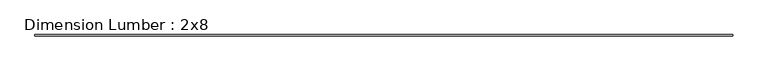
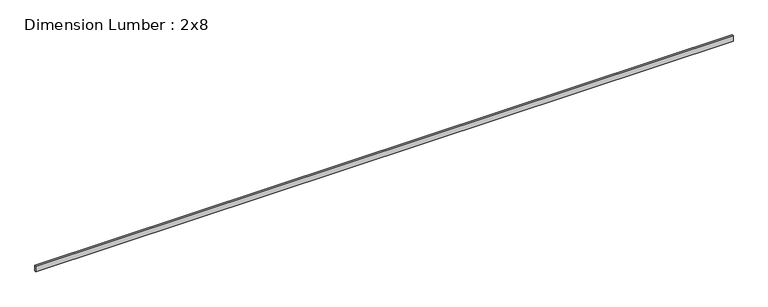
"""IFC4 building model written with IfcOpenShell, lengths in millimetres: beam geometry, Dimension Lumber : 2x8."""

from ifc_helpers import new_model, si_unit, frame, origin, place, context, project, spatial, polyline, outline, extrude, source, transform, mapped, element, save


def dimension_lumber_2x8_86dcbf60(model_context):
    return source(origin(), model_context, "Body", "SweptSolid", [
        extrude(outline(polyline([(10972.8, 19.05), (10972.8, -19.05), (-10972.8, -19.05), (-10972.8, 19.05), (10972.8, 19.05)])), frame((0.0, 0.0, -92.075), z_axis=(0.0, 0.0, 1.0), x_axis=(1.0, 0.0, 0.0)), (0.0, 0.0, 1.0), 184.15),
    ])


if __name__ == "__main__":
    model = new_model("IFC4")
    model_context = context("Model", 3, world=origin())
    ifc_project = project(units=[si_unit("LENGTHUNIT", "METRE", prefix="MILLI")], contexts=[model_context])
    site = spatial("IfcSite", under=ifc_project)
    building = spatial("IfcBuilding", under=site)
    placement = place(None, origin())
    dimension_lumber_2x8_shape = dimension_lumber_2x8_86dcbf60(model_context)
    element("IfcBeam", 1, ObjectType="Dimension Lumber : 2x8", at=placement, inside=building, context=model_context, shape_type="MappedRepresentation", body=[
        mapped(dimension_lumber_2x8_shape, transform((0.0, 0.0, 0.0), x_axis=(1.0, 0.0, 0.0), y_axis=(0.0, 1.0, 0.0), z_axis=(0.0, 0.0, 1.0))),
    ])
    save(model, "model.ifc")
